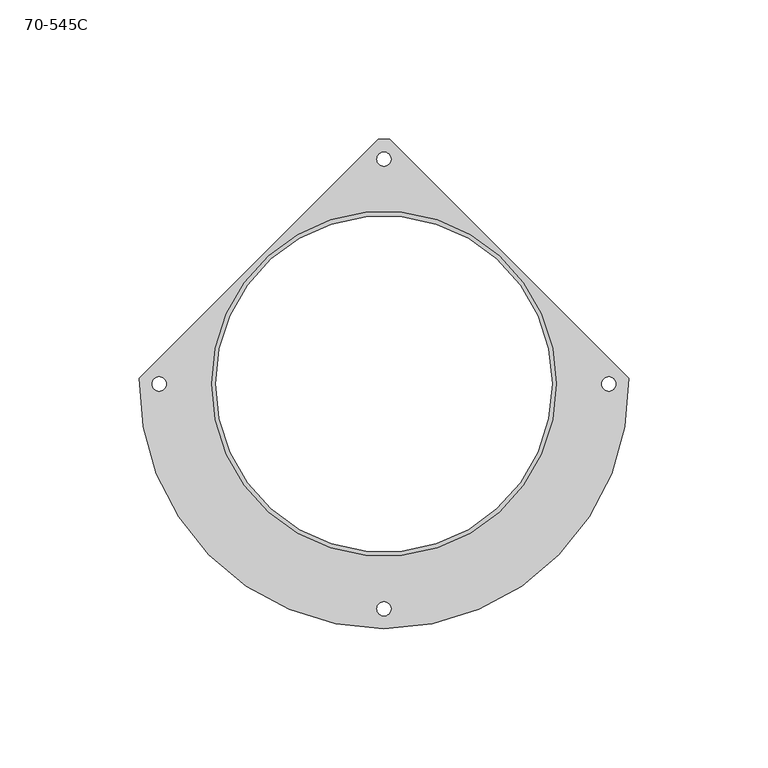
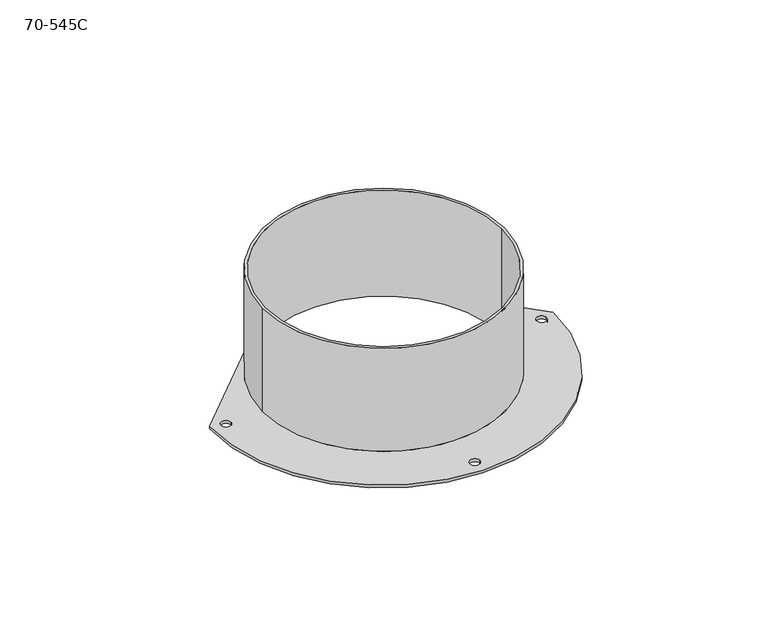
"""IFC4 building model written with IfcOpenShell, lengths in millimetres: proxy geometry, 70-545C."""

from ifc_helpers import new_model, si_unit, frame, origin, place, context, project, spatial, polyline, circle_curve, source, transform, mapped, element, save
from ifc_brep_helpers import plane_surface, cylinder_surface, revolved_surface, advanced_brep


def proxy_70_545c_eda8cadb(model_context):
    return source(origin(), model_context, "Body", "AdvancedBrep", [
        advanced_brep(
        [(-65.8003308, 10.2286397, 0.0), (-65.8003308, 10.2286397, 57.15), (54.8496692, 10.2286397, 57.15), (54.8496692, 10.2286397, 0.0), (-67.3243308, 10.2286397, 57.15), (-67.3243308, 10.2286397, 1.524), (56.3736692, 10.2286397, 1.524), (56.3736692, 10.2286397, 57.15), (-83.5803308, 10.2286397, 1.524), (-83.5803308, 10.2286397, 0.0), (-88.6603308, 10.2286397, 0.0), (-88.6603308, 10.2286397, 1.524), (77.7096692, 10.2286397, 1.524), (77.7096692, 10.2286397, 0.0), (72.6296692, 10.2286397, 0.0), (72.6296692, 10.2286397, 1.524), (-2.9353308, 90.8736397, 1.524), (-2.9353308, 90.8736397, 0.0), (-8.0153308, 90.8736397, 0.0), (-8.0153308, 90.8736397, 1.524), (-2.9353308, -70.4163603, 1.524), (-2.9353308, -70.4163603, 0.0), (-8.0153308, -70.4163603, 0.0), (-8.0153308, -70.4163603, 1.524), (82.2572529, 12.2986172, 0.0), (-3.4053533, 97.9612234, 0.0), (-3.4053533, 97.9612234, 1.524), (82.2572529, 12.2986172, 1.524), (-7.5453084, 97.9612234, 0.0), (-93.2079145, 12.2986172, 0.0), (-93.2079145, 12.2986172, 1.524), (-7.5453084, 97.9612234, 1.524)],
        [
            (0, 1),
            (1, 2, circle_curve(frame((-5.4753308, 10.2286397, 57.15), z_axis=(0.0, 0.0, 1.0), x_axis=(-1.0, 0.0, 0.0)), 60.325)),
            (2, 3),
            (3, 0, circle_curve(frame((-5.4753308, 10.2286397, 0.0), z_axis=(0.0, 0.0, -1.0), x_axis=(-1.0, 0.0, 0.0)), 60.325)),
            (4, 5),
            (5, 6, circle_curve(frame((-5.4753308, 10.2286397, 1.524), z_axis=(0.0, 0.0, 1.0), x_axis=(-1.0, 0.0, 0.0)), 61.849)),
            (6, 7),
            (7, 4, circle_curve(frame((-5.4753308, 10.2286397, 57.15), z_axis=(0.0, 0.0, -1.0), x_axis=(-1.0, 0.0, 0.0)), 61.849)),
            (8, 9),
            (9, 10, circle_curve(frame((-86.1203308, 10.2286397, 0.0), z_axis=(0.0, 0.0, -1.0), x_axis=(1.0, 0.0, 0.0)), 2.54)),
            (10, 11),
            (11, 8, circle_curve(frame((-86.1203308, 10.2286397, 1.524), z_axis=(0.0, 0.0, 1.0), x_axis=(1.0, 0.0, 0.0)), 2.54)),
            (12, 13),
            (13, 14, circle_curve(frame((75.1696692, 10.2286397, 0.0), z_axis=(0.0, 0.0, -1.0), x_axis=(1.0, 0.0, 0.0)), 2.54)),
            (14, 15),
            (15, 12, circle_curve(frame((75.1696692, 10.2286397, 1.524), z_axis=(0.0, 0.0, 1.0), x_axis=(1.0, 0.0, 0.0)), 2.54)),
            (16, 17),
            (17, 18, circle_curve(frame((-5.4753308, 90.8736397, 0.0), z_axis=(0.0, 0.0, -1.0), x_axis=(1.0, 0.0, 0.0)), 2.54)),
            (18, 19),
            (19, 16, circle_curve(frame((-5.4753308, 90.8736397, 1.524), z_axis=(0.0, 0.0, 1.0), x_axis=(1.0, 0.0, 0.0)), 2.54)),
            (20, 21),
            (21, 22, circle_curve(frame((-5.4753308, -70.4163603, 0.0), z_axis=(0.0, 0.0, -1.0), x_axis=(1.0, 0.0, 0.0)), 2.54)),
            (22, 23),
            (23, 20, circle_curve(frame((-5.4753308, -70.4163603, 1.524), z_axis=(0.0, 0.0, 1.0), x_axis=(1.0, 0.0, 0.0)), 2.54)),
            (24, 25),
            (25, 26),
            (26, 27),
            (27, 24),
            (28, 29),
            (29, 30),
            (30, 31),
            (31, 28),
            (24, 29, circle_curve(frame((-5.4753308, 10.2286397, 0.0), z_axis=(0.0, 0.0, -1.0), x_axis=(0.0, -1.0, 0.0)), 87.757)),
            (28, 25, circle_curve(frame((-5.4753308, 10.2286397, 0.0), z_axis=(0.0, 0.0, -1.0), x_axis=(-1.0, 0.0, 0.0)), 87.757)),
            (9, 10, circle_curve(frame((-86.1203308, 10.2286397, 0.0), z_axis=(0.0, 0.0, 1.0), x_axis=(1.0, 0.0, 0.0)), 2.54)),
            (13, 14, circle_curve(frame((75.1696692, 10.2286397, 0.0), z_axis=(0.0, 0.0, 1.0), x_axis=(1.0, 0.0, 0.0)), 2.54)),
            (17, 18, circle_curve(frame((-5.4753308, 90.8736397, 0.0), z_axis=(0.0, 0.0, 1.0), x_axis=(1.0, 0.0, 0.0)), 2.54)),
            (21, 22, circle_curve(frame((-5.4753308, -70.4163603, 0.0), z_axis=(0.0, 0.0, 1.0), x_axis=(1.0, 0.0, 0.0)), 2.54)),
            (3, 0, circle_curve(frame((-5.4753308, 10.2286397, 0.0), z_axis=(0.0, 0.0, 1.0), x_axis=(-1.0, 0.0, 0.0)), 60.325)),
            (31, 26, circle_curve(frame((-5.4753308, 10.2286397, 1.524), z_axis=(0.0, 0.0, -1.0), x_axis=(-1.0, 0.0, 0.0)), 87.757)),
            (30, 27, circle_curve(frame((-5.4753308, 10.2286397, 1.524), z_axis=(0.0, 0.0, 1.0), x_axis=(0.0, -1.0, 0.0)), 87.757)),
            (5, 6, circle_curve(frame((-5.4753308, 10.2286397, 1.524), z_axis=(0.0, 0.0, -1.0), x_axis=(-1.0, 0.0, 0.0)), 61.849)),
            (11, 8, circle_curve(frame((-86.1203308, 10.2286397, 1.524), z_axis=(0.0, 0.0, -1.0), x_axis=(1.0, 0.0, 0.0)), 2.54)),
            (15, 12, circle_curve(frame((75.1696692, 10.2286397, 1.524), z_axis=(0.0, 0.0, -1.0), x_axis=(1.0, 0.0, 0.0)), 2.54)),
            (19, 16, circle_curve(frame((-5.4753308, 90.8736397, 1.524), z_axis=(0.0, 0.0, -1.0), x_axis=(1.0, 0.0, 0.0)), 2.54)),
            (23, 20, circle_curve(frame((-5.4753308, -70.4163603, 1.524), z_axis=(0.0, 0.0, -1.0), x_axis=(1.0, 0.0, 0.0)), 2.54)),
            (4, 7, circle_curve(frame((-5.4753308, 10.2286397, 57.15), z_axis=(0.0, 0.0, -1.0), x_axis=(-1.0, 0.0, 0.0)), 61.849)),
            (2, 1, circle_curve(frame((-5.4753308, 10.2286397, 57.15), z_axis=(0.0, 0.0, 1.0), x_axis=(-1.0, 0.0, 0.0)), 60.325)),
        ],
        [
            revolved_surface(polyline([(-65.8003308, 10.2286397, 0.0), (-65.8003308, 10.2286397, 57.15)]), (-5.4753308, 10.2286397, 57.15), (0.0, 0.0, -1.0)),
            cylinder_surface(frame((-5.4753308, 10.2286397, 57.15), z_axis=(0.0, 0.0, -1.0), x_axis=(-1.0, 0.0, 0.0)), 61.849),
            revolved_surface(polyline([(-83.5803308, 10.2286397, 1.524), (-83.5803308, 10.2286397, 0.0)]), (-86.1203308, 10.2286397, 0.0), (0.0, 0.0, 1.0)),
            revolved_surface(polyline([(77.70966920000001, 10.2286397, 1.524), (77.70966920000001, 10.2286397, 0.0)]), (75.1696692, 10.2286397, 0.0), (0.0, 0.0, 1.0)),
            revolved_surface(polyline([(-2.9353308, 90.8736397, 1.524), (-2.9353308, 90.8736397, 0.0)]), (-5.4753308, 90.8736397, 0.0), (0.0, 0.0, 1.0)),
            revolved_surface(polyline([(-2.9353308, -70.4163603, 1.524), (-2.9353308, -70.4163603, 0.0)]), (-5.4753308, -70.4163603, 0.0), (0.0, 0.0, 1.0)),
            plane_surface(frame((-3.4053533, 97.9612234, 1.524), z_axis=(0.7071067811865472, 0.7071067811865479, 0.0), x_axis=(0.0, 0.0, 1.0))),
            plane_surface(frame((-93.2079145, 12.2986172, 1.524), z_axis=(-0.7071067811865476, 0.7071067811865476, 0.0), x_axis=(0.0, 0.0, -1.0))),
            plane_surface(frame((-5.4753308, 10.2286397, 0.0), z_axis=(0.0, 0.0, -1.0), x_axis=(-1.0, 0.0, 0.0))),
            cylinder_surface(frame((-5.4753308, 10.2286397, 0.0), z_axis=(0.0, 0.0, 1.0), x_axis=(-1.0, 0.0, 0.0)), 87.757),
            plane_surface(frame((-5.4753308, 10.2286397, 1.524), z_axis=(0.0, 0.0, 1.0), x_axis=(-1.0, 0.0, 0.0))),
            cylinder_surface(frame((-5.4753308, 10.2286397, 0.0), z_axis=(0.0, 0.0, 1.0), x_axis=(0.0, -1.0, 0.0)), 87.757),
            plane_surface(frame((-5.4753308, 10.2286397, 57.15), z_axis=(0.0, 0.0, 1.0), x_axis=(-1.0, 0.0, 0.0))),
        ],
        [
            (0, [[1, 2, 3, 4]]),
            (1, [[5, 6, 7, 8]]),
            (2, [[9, 10, 11, 12]]),
            (3, [[13, 14, 15, 16]]),
            (4, [[17, 18, 19, 20]]),
            (5, [[21, 22, 23, 24]]),
            (6, [[25, 26, 27, 28]]),
            (7, [[29, 30, 31, 32]]),
            (8, [[-25, 33, -29, 34], [-10, 35], [-14, 36], [-18, 37], [-22, 38], [39, -4]]),
            (9, [[-26, -34, -32, 40]]),
            (10, [[-27, -40, -31, 41], [42, -6], [43, -12], [44, -16], [45, -20], [46, -24]]),
            (5, [[-21, -46, -23, -38]]),
            (4, [[-17, -45, -19, -37]]),
            (3, [[-13, -44, -15, -36]]),
            (2, [[-9, -43, -11, -35]]),
            (1, [[-5, 47, -7, -42]]),
            (0, [[-1, -39, -3, 48]]),
            (11, [[-28, -41, -30, -33]]),
            (12, [[-47, -8], [-2, -48]]),
        ],
    ),
    ])


if __name__ == "__main__":
    model = new_model("IFC4")
    model_context = context("Model", 3, world=origin())
    ifc_project = project(units=[si_unit("LENGTHUNIT", "METRE", prefix="MILLI")], contexts=[model_context])
    site = spatial("IfcSite", under=ifc_project)
    building = spatial("IfcBuilding", under=site)
    placement = place(None, origin())
    proxy_70_545c_shape = proxy_70_545c_eda8cadb(model_context)
    element("IfcBuildingElementProxy", 1, Name="70-545C", ObjectType="70-545C", at=placement, inside=building, context=model_context, shape_type="MappedRepresentation", body=[
        mapped(proxy_70_545c_shape, transform((0.0, 0.0, 0.0), x_axis=(1.0, 0.0, 0.0), y_axis=(0.0, 1.0, 0.0), z_axis=(0.0, 0.0, 1.0))),
    ])
    save(model, "model.ifc")
